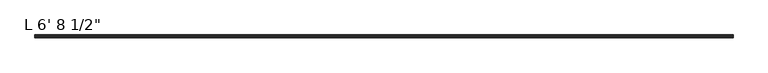
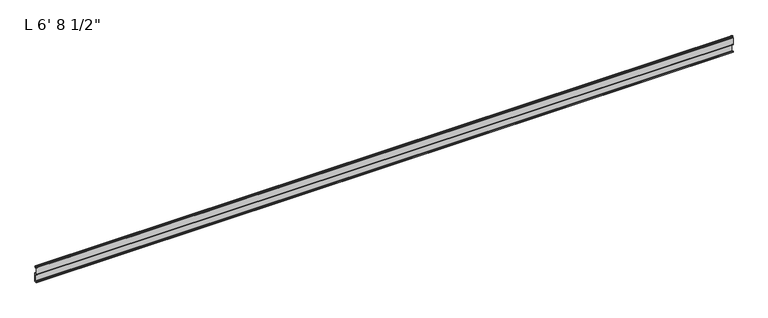
"""IFC4 building model written with IfcOpenShell, lengths in millimetres: proxy geometry."""

from ifc_helpers import new_model, si_unit, point, frame, frame_2d, origin, place, context, project, spatial, polyline, circle_curve, trimmed, segment, composite_curve, outline, extrude, source, transform, mapped, element, save


def proxy_de6539a5(model_context):
    return source(origin(), model_context, "Body", "SweptSolid", [
        extrude(outline(composite_curve([segment(polyline([(-19.05, 16.8792515), (-19.05, 20.0542515), (-17.4625, 20.0542515), (-17.4625, 18.4667515), (-12.7, 18.4667515), (-12.7, 40.6730764), (-17.4625, 40.6730764)]), True, "CONTINUOUS"), segment(trimmed(circle_curve(frame_2d((-17.4625, 42.2605764)), 1.5875), [point((-17.4625, 40.6730764))], [point((-19.05, 42.2605764))], False, "CARTESIAN"), True, "CONTINUOUS"), segment(polyline([(-19.05, 42.2605764), (-19.05, 62.8980764), (-17.7424378, 62.8980764)]), True, "CONTINUOUS"), segment(trimmed(circle_curve(frame_2d((-17.7424378, 64.4855764)), 1.5875), [point((-17.7424378, 62.8980764))], [point((-16.1549378, 64.4855764))], True, "CARTESIAN"), True, "CONTINUOUS"), segment(polyline([(-16.1549378, 64.4855764), (-16.1549378, 66.0271866)]), True, "CONTINUOUS"), segment(trimmed(circle_curve(frame_2d((-15.6853088, 66.0271866)), 0.4696291), [point((-16.1549378, 66.0271866))], [point((-15.4750158, 66.4471012))], False, "CARTESIAN"), True, "CONTINUOUS"), segment(polyline([(-15.4750158, 66.4471012), (-13.6400687, 65.8743933)]), True, "CONTINUOUS"), segment(trimmed(circle_curve(frame_2d((-14.5481808, 62.9648167)), 3.048), [point((-13.6400687, 65.8743933))], [point((-11.9462301, 64.5523167))], False, "CARTESIAN"), True, "CONTINUOUS"), segment(trimmed(circle_curve(frame_2d((-14.5481808, 62.9648167)), 3.048), [point((-11.9462301, 64.5523167))], [point((-13.6400687, 60.05524))], False, "CARTESIAN"), True, "CONTINUOUS"), segment(polyline([(-13.6400687, 60.05524), (-15.4364113, 59.4945809)]), True, "CONTINUOUS"), segment(trimmed(circle_curve(frame_2d((-15.6245238, 60.0332823)), 0.5706009), [point((-15.4364113, 59.4945809))], [point((-16.1779173, 60.1723546))], False, "CARTESIAN"), True, "CONTINUOUS"), segment(trimmed(circle_curve(frame_2d((-16.9169378, 60.3580764)), 0.762), [point((-16.1779173, 60.1723546))], [point((-16.9376166, 61.1197958))], True, "CARTESIAN"), True, "CONTINUOUS"), segment(trimmed(circle_curve(frame_2d((-16.9545, 60.6120764)), 0.508), [point((-16.9376166, 61.1197958))], [point((-17.4625, 60.6120764))], True, "CARTESIAN"), True, "CONTINUOUS"), segment(polyline([(-17.4625, 60.6120764), (-17.4625, 49.4244644), (-17.9716639, 48.5070448), (-17.9716639, 47.166884), (-17.4625, 46.2494644), (-17.4625, 43.8708359)]), True, "CONTINUOUS"), segment(trimmed(circle_curve(frame_2d((-15.875, 43.8708359)), 1.5875), [point((-17.4625, 43.8708359))], [point((-15.875, 42.2833359))], True, "CARTESIAN"), True, "CONTINUOUS"), segment(polyline([(-15.875, 42.2833359), (-11.1125, 42.2833359), (-11.1125, 16.8792515), (-19.05, 16.8792515)]), True, "CONTINUOUS")], self_intersect=False)), frame((-1739.9, 0.0, 0.0), z_axis=(1.0, 0.0, 0.0), x_axis=(0.0, 1.0, 0.0)), (0.0, 0.0, 1.0), 2044.7),
    ])


if __name__ == "__main__":
    model = new_model("IFC4")
    model_context = context("Model", 3, world=origin())
    ifc_project = project(units=[si_unit("LENGTHUNIT", "METRE", prefix="MILLI")], contexts=[model_context])
    site = spatial("IfcSite", under=ifc_project)
    building = spatial("IfcBuilding", under=site)
    placement = place(None, origin())
    proxy_shape = proxy_de6539a5(model_context)
    element("IfcBuildingElementProxy", 1, Name="L 6' 8 1/2\"", ObjectType="L 6' 8 1/2\"", at=placement, inside=building, context=model_context, shape_type="MappedRepresentation", body=[
        mapped(proxy_shape, transform((0.0, 0.0, 0.0), x_axis=(1.0, 0.0, 0.0), y_axis=(0.0, 1.0, 0.0), z_axis=(0.0, 0.0, 1.0))),
    ])
    save(model, "model.ifc")
